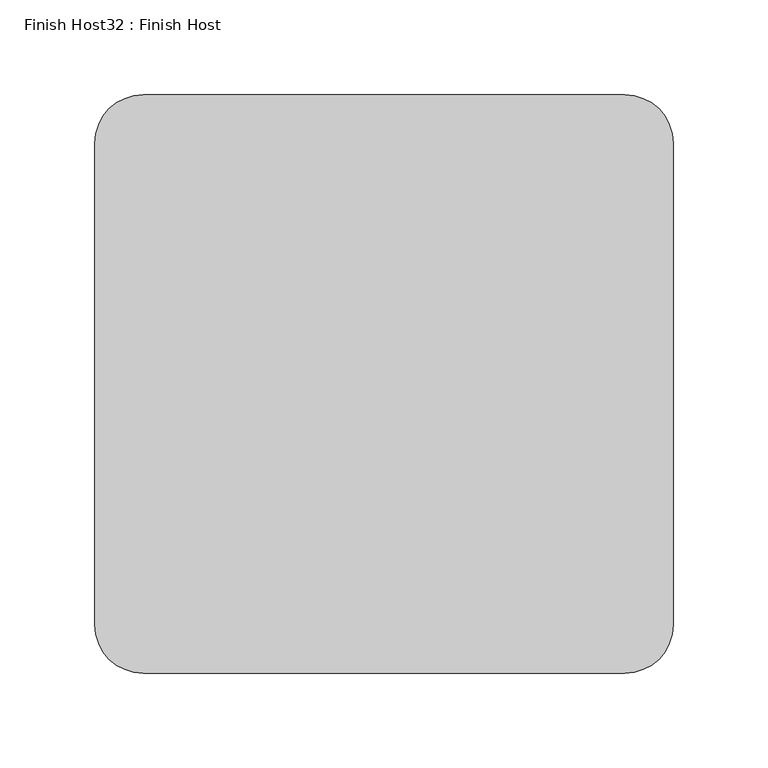
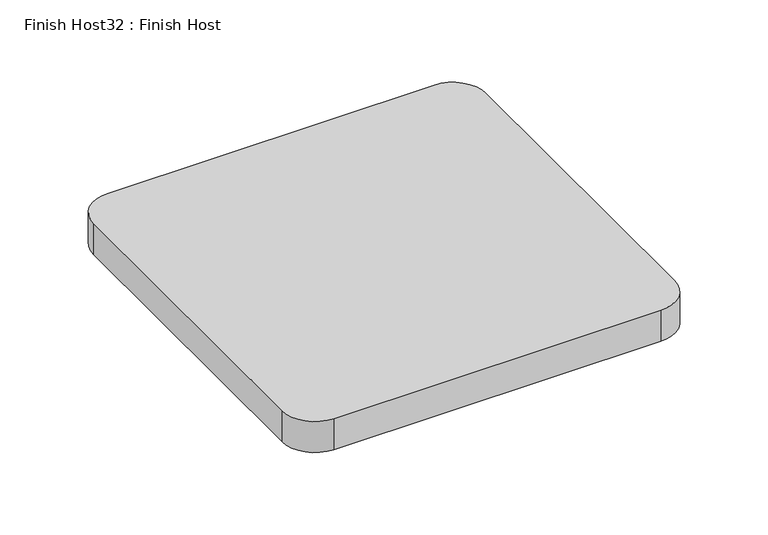
"""IFC4 building model written with IfcOpenShell, lengths in millimetres: proxy geometry, Finish Host32 : Finish Host."""

from ifc_helpers import new_model, si_unit, point, frame_2d, origin, origin_with_axes, place, context, project, spatial, polyline, circle_curve, trimmed, segment, composite_curve, outline, extrude, source, transform, mapped, element, save


def finish_host32_finish_host_480f6b44(model_context):
    return source(origin(), model_context, "Body", "SweptSolid", [
        extrude(outline(composite_curve([segment(polyline([(5001.0934426, 546.4122951), (5001.0934426, 800.4122951)]), True, "CONTINUOUS"), segment(trimmed(circle_curve(frame_2d((5026.4934426, 800.4122951)), 25.4), [point((5001.0934426, 800.4122951))], [point((5026.4934426, 825.8122951))], False, "CARTESIAN"), True, "CONTINUOUS"), segment(polyline([(5026.4934426, 825.8122951), (5280.4934426, 825.8122951)]), True, "CONTINUOUS"), segment(trimmed(circle_curve(frame_2d((5280.4934426, 800.4122951)), 25.4), [point((5280.4934426, 825.8122951))], [point((5305.8934426, 800.4122951))], False, "CARTESIAN"), True, "CONTINUOUS"), segment(polyline([(5305.8934426, 800.4122951), (5305.8934426, 546.4122951)]), True, "CONTINUOUS"), segment(trimmed(circle_curve(frame_2d((5280.4934426, 546.4122951)), 25.4), [point((5305.8934426, 546.4122951))], [point((5280.4934426, 521.0122951))], False, "CARTESIAN"), True, "CONTINUOUS"), segment(polyline([(5280.4934426, 521.0122951), (5026.4934426, 521.0122951)]), True, "CONTINUOUS"), segment(trimmed(circle_curve(frame_2d((5026.4934426, 546.4122951)), 25.4), [point((5026.4934426, 521.0122951))], [point((5001.0934426, 546.4122951))], False, "CARTESIAN"), True, "CONTINUOUS")], self_intersect=False)), origin_with_axes(), (0.0, 0.0, 1.0), 25.4),
    ])


if __name__ == "__main__":
    model = new_model("IFC4")
    model_context = context("Model", 3, world=origin())
    ifc_project = project(units=[si_unit("LENGTHUNIT", "METRE", prefix="MILLI")], contexts=[model_context])
    site = spatial("IfcSite", under=ifc_project)
    building = spatial("IfcBuilding", under=site)
    placement = place(None, origin())
    finish_host32_finish_host_shape = finish_host32_finish_host_480f6b44(model_context)
    element("IfcBuildingElementProxy", 1, Name="Finish Host32 : Finish Host", ObjectType="Finish Host32 : Finish Host", at=placement, inside=building, context=model_context, shape_type="MappedRepresentation", body=[
        mapped(finish_host32_finish_host_shape, transform((0.0, 0.0, 0.0), x_axis=(1.0, 0.0, 0.0), y_axis=(0.0, 1.0, 0.0), z_axis=(0.0, 0.0, 1.0))),
    ])
    save(model, "model.ifc")
